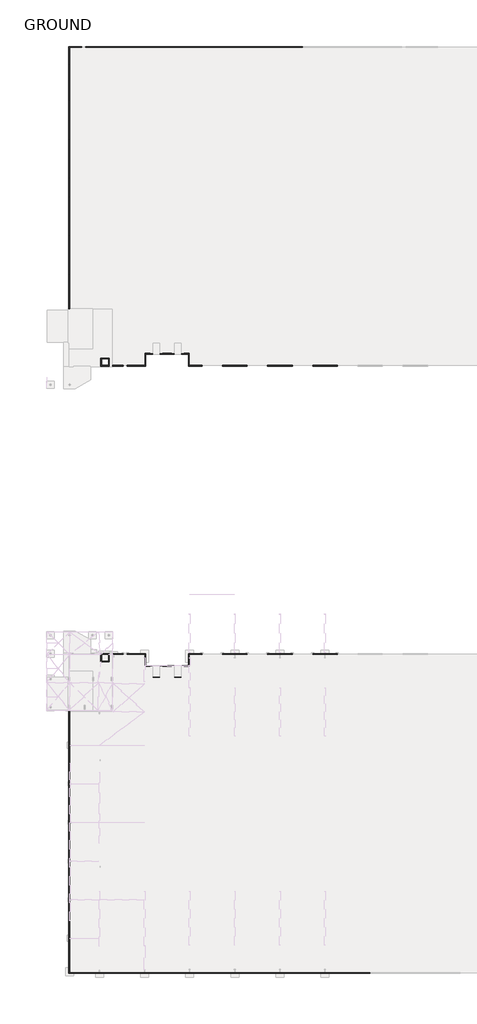
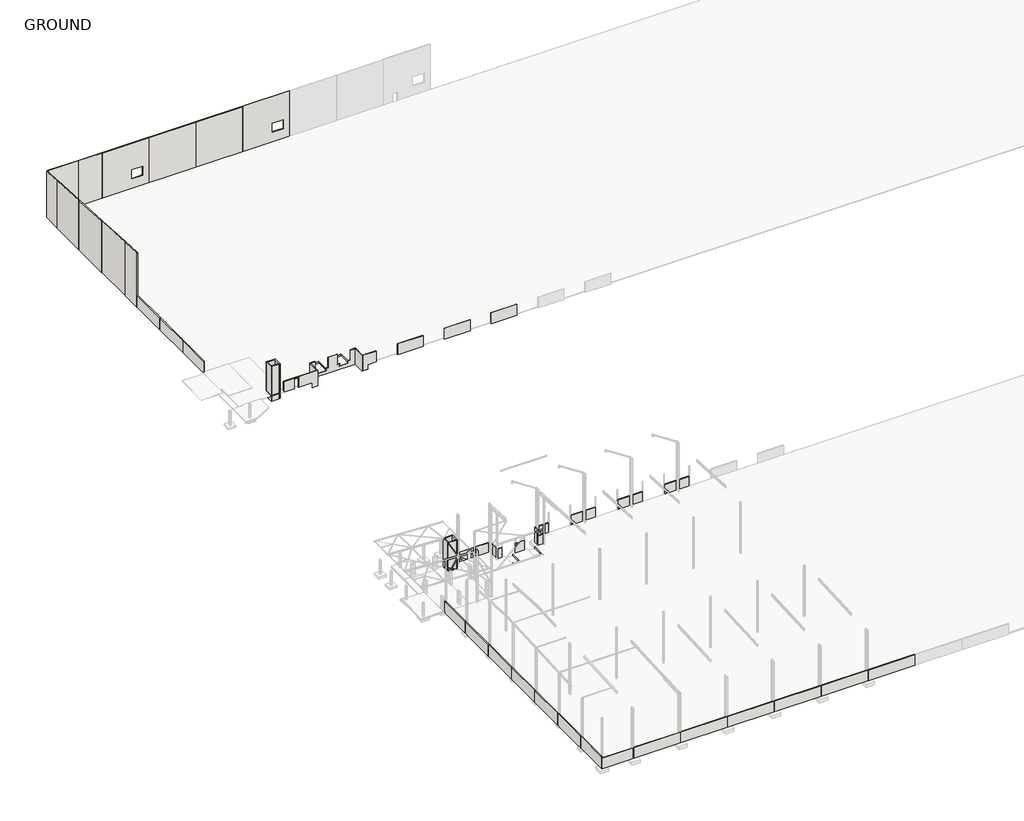
# One storey, part 1 of 56: 72 walls.
"""IFC4 building model written with IfcOpenShell, lengths in millimetres."""

from ifc_helpers import new_model, si_unit, frame, origin, place, context, project, spatial, polyline, outline, extrude, faceted_brep, element, save

model = new_model("IFC4")

# Units and contexts
model_context = context("Model", 3, world=origin())
ifc_project = project(units=[si_unit("LENGTHUNIT", "METRE", prefix="MILLI")], contexts=[model_context])

# Site, building, storey
site = spatial("IfcSite", under=ifc_project)
building = spatial("IfcBuilding", under=site)
storey = spatial("IfcBuildingStorey", under=building, Name="GROUND", Elevation=47100.0)

# Walls
placement = place(None, origin())
element("IfcWall", 1, at=placement, inside=storey, context=model_context, shape_type="Brep", body=[
    faceted_brep([(-298596.5907618, 166020.0, 46500.0), (-298596.5907618, 168990.0, 46500.0), (-298596.5907618, 168990.0, 46900.0), (-298596.5907618, 166170.0, 46900.0), (-298596.5907618, 166020.0, 46900.0), (-298746.5907618, 166020.0, 46500.0), (-298746.5907618, 166020.0, 46900.0), (-298746.5907618, 166170.0, 46900.0), (-298746.5907618, 168840.0, 46900.0), (-298746.5907618, 168990.0, 46900.0), (-298746.5907618, 168990.0, 46500.0), (-298746.5907618, 168840.0, 46500.0)], [[[0, 1, 2, 3, 4]], [[5, 6, 7, 8, 9, 10, 11]], [[0, 4, 6, 5]], [[2, 1, 10, 9]], [[1, 0, 5, 11, 10]], [[4, 3, 7, 6]], [[3, 2, 9, 8, 7]]]),
])
element("IfcWall", 2, at=placement, inside=storey, context=model_context, shape_type="Brep", body=[
    faceted_brep([(-298746.5907618, 168990.0, 46500.0), (-300806.5907618, 168990.0, 46500.0), (-300806.5907618, 168990.0, 46900.0), (-298746.5907618, 168990.0, 46900.0), (-298746.5907618, 168840.0, 46500.0), (-298746.5907618, 168840.0, 46900.0), (-300656.5907618, 168840.0, 46900.0), (-300806.5907618, 168840.0, 46900.0), (-300806.5907618, 168840.0, 46500.0), (-300656.5907618, 168840.0, 46500.0)], [[[0, 1, 2, 3]], [[4, 5, 6, 7, 8, 9]], [[0, 3, 5, 4]], [[2, 1, 8, 7]], [[3, 2, 7, 6, 5]], [[1, 0, 4, 9, 8]]]),
])
element("IfcWall", 3, at=placement, inside=storey, context=model_context, shape_type="SweptSolid", body=[
    extrude(outline(polyline([(168840.0, 46500.0), (166020.0, 46500.0), (166020.0, 46900.0), (166170.0, 46900.0), (168840.0, 46900.0), (168840.0, 46500.0)])), frame((-300806.5907618, 0.0, 0.0), z_axis=(1.0, 0.0, 0.0), x_axis=(0.0, 1.0, 0.0)), (0.0, 0.0, 1.0), 150.0),
])
element("IfcWall", 4, at=placement, inside=storey, context=model_context, shape_type="Brep", body=[
    faceted_brep([(-303946.5907618, 166020.0, 46500.0), (-303946.5907618, 168990.0, 46500.0), (-303946.5907618, 168990.0, 46900.0), (-303946.5907618, 166170.0, 46900.0), (-303946.5907618, 166020.0, 46900.0), (-304096.5907618, 166020.0, 46500.0), (-304096.5907618, 166020.0, 46900.0), (-304096.5907618, 166170.0, 46900.0), (-304096.5907618, 168840.0, 46900.0), (-304096.5907618, 168990.0, 46900.0), (-304096.5907618, 168990.0, 46500.0), (-304096.5907618, 168840.0, 46500.0)], [[[0, 1, 2, 3, 4]], [[5, 6, 7, 8, 9, 10, 11]], [[0, 4, 6, 5]], [[2, 1, 10, 9]], [[1, 0, 5, 11, 10]], [[4, 3, 7, 6]], [[3, 2, 9, 8, 7]]]),
])
element("IfcWall", 5, at=placement, inside=storey, context=model_context, shape_type="Brep", body=[
    faceted_brep([(-304096.5907618, 168990.0, 46500.0), (-306156.5907618, 168990.0, 46500.0), (-306156.5907618, 168990.0, 46900.0), (-304096.5907618, 168990.0, 46900.0), (-304096.5907618, 168840.0, 46500.0), (-304096.5907618, 168840.0, 46900.0), (-306006.5907618, 168840.0, 46900.0), (-306156.5907618, 168840.0, 46900.0), (-306156.5907618, 168840.0, 46500.0), (-306006.5907618, 168840.0, 46500.0)], [[[0, 1, 2, 3]], [[4, 5, 6, 7, 8, 9]], [[0, 3, 5, 4]], [[2, 1, 8, 7]], [[3, 2, 7, 6, 5]], [[1, 0, 4, 9, 8]]]),
])
element("IfcWall", 6, at=placement, inside=storey, context=model_context, shape_type="SweptSolid", body=[
    extrude(outline(polyline([(168840.0, 46500.0), (166020.0, 46500.0), (166020.0, 46900.0), (166170.0, 46900.0), (168840.0, 46900.0), (168840.0, 46500.0)])), frame((-306156.5907618, 0.0, 0.0), z_axis=(1.0, 0.0, 0.0), x_axis=(0.0, 1.0, 0.0)), (0.0, 0.0, 1.0), 150.0),
])
element("IfcWall", 7, at=placement, inside=storey, context=model_context, shape_type="Brep", body=[
    faceted_brep([(-298746.5907618, 88019.60101, 46500.0), (-298746.5907618, 85199.60101, 46500.0), (-298746.5907618, 85049.60101, 46500.0), (-298746.5907618, 85049.60101, 46900.0), (-298746.5907618, 85199.60101, 46900.0), (-298746.5907618, 87869.60101, 46900.0), (-298746.5907618, 88019.60101, 46900.0), (-298596.5907618, 88019.60101, 46500.0), (-298596.5907618, 88019.60101, 46900.0), (-298596.5907618, 87869.60101, 46900.0), (-298596.5907618, 85049.60101, 46900.0), (-298596.5907618, 85049.60101, 46500.0)], [[[0, 1, 2, 3, 4, 5, 6]], [[7, 8, 9, 10, 11]], [[0, 6, 8, 7]], [[3, 2, 11, 10]], [[2, 1, 0, 7, 11]], [[6, 5, 9, 8]], [[5, 4, 3, 10, 9]]]),
])
element("IfcWall", 8, at=placement, inside=storey, context=model_context, shape_type="Brep", body=[
    faceted_brep([(-298746.5907618, 85199.60101, 46500.0), (-300656.5907618, 85199.60101, 46500.0), (-300806.5907618, 85199.60101, 46500.0), (-300806.5907618, 85199.60101, 46900.0), (-300656.5907618, 85199.60101, 46900.0), (-298746.5907618, 85199.60101, 46900.0), (-298746.5907618, 85049.60101, 46500.0), (-298746.5907618, 85049.60101, 46900.0), (-300656.5907618, 85049.60101, 46900.0), (-300806.5907618, 85049.60101, 46900.0), (-300806.5907618, 85049.60101, 46500.0)], [[[0, 1, 2, 3, 4, 5]], [[6, 7, 8, 9, 10]], [[0, 5, 7, 6]], [[3, 2, 10, 9]], [[2, 1, 0, 6, 10]], [[5, 4, 8, 7]], [[4, 3, 9, 8]]]),
])
element("IfcWall", 9, at=placement, inside=storey, context=model_context, shape_type="SweptSolid", body=[
    extrude(outline(polyline([(85199.60101, 46500.0), (85199.60101, 46900.0), (87869.60101, 46900.0), (88019.60101, 46900.0), (88019.60101, 46500.0), (85199.60101, 46500.0)])), frame((-300806.5907618, 0.0, 0.0), z_axis=(1.0, 0.0, 0.0), x_axis=(0.0, 1.0, 0.0)), (0.0, 0.0, 1.0), 150.0),
])
element("IfcWall", 10, at=placement, inside=storey, context=model_context, shape_type="Brep", body=[
    faceted_brep([(-304096.5907618, 88019.60101, 46500.0), (-304096.5907618, 85199.60101, 46500.0), (-304096.5907618, 85049.60101, 46500.0), (-304096.5907618, 85049.60101, 46900.0), (-304096.5907618, 85199.60101, 46900.0), (-304096.5907618, 87869.60101, 46900.0), (-304096.5907618, 88019.60101, 46900.0), (-303946.5907618, 88019.60101, 46500.0), (-303946.5907618, 88019.60101, 46900.0), (-303946.5907618, 87869.60101, 46900.0), (-303946.5907618, 85049.60101, 46900.0), (-303946.5907618, 85049.60101, 46500.0)], [[[0, 1, 2, 3, 4, 5, 6]], [[7, 8, 9, 10, 11]], [[0, 6, 8, 7]], [[3, 2, 11, 10]], [[2, 1, 0, 7, 11]], [[6, 5, 9, 8]], [[5, 4, 3, 10, 9]]]),
])
element("IfcWall", 11, at=placement, inside=storey, context=model_context, shape_type="Brep", body=[
    faceted_brep([(-304096.5907618, 85199.60101, 46500.0), (-306006.5907618, 85199.60101, 46500.0), (-306156.5907618, 85199.60101, 46500.0), (-306156.5907618, 85199.60101, 46900.0), (-306006.5907618, 85199.60101, 46900.0), (-304096.5907618, 85199.60101, 46900.0), (-304096.5907618, 85049.60101, 46500.0), (-304096.5907618, 85049.60101, 46900.0), (-306006.5907618, 85049.60101, 46900.0), (-306156.5907618, 85049.60101, 46900.0), (-306156.5907618, 85049.60101, 46500.0)], [[[0, 1, 2, 3, 4, 5]], [[6, 7, 8, 9, 10]], [[0, 5, 7, 6]], [[3, 2, 10, 9]], [[2, 1, 0, 6, 10]], [[5, 4, 8, 7]], [[4, 3, 9, 8]]]),
])
element("IfcWall", 12, at=placement, inside=storey, context=model_context, shape_type="SweptSolid", body=[
    extrude(outline(polyline([(85199.60101, 46500.0), (85199.60101, 46900.0), (87869.60101, 46900.0), (88019.60101, 46900.0), (88019.60101, 46500.0), (85199.60101, 46500.0)])), frame((-306156.5907618, 0.0, 0.0), z_axis=(1.0, 0.0, 0.0), x_axis=(0.0, 1.0, 0.0)), (0.0, 0.0, 1.0), 150.0),
])
element("IfcWall", 13, at=placement, inside=storey, context=model_context, shape_type="Brep", body=[
    faceted_brep([(-316856.5907618, 162970.0, 45600.0), (-316856.5907618, 165020.0, 45600.0), (-316856.5907618, 165020.0, 47000.0), (-316856.5907618, 162970.0, 47000.0), (-317056.5907618, 162970.0, 45600.0), (-317056.5907618, 162970.0, 47000.0), (-317056.5907618, 163170.0, 47000.0), (-317056.5907618, 164820.0, 47000.0), (-317056.5907618, 165020.0, 47000.0), (-317056.5907618, 165020.0, 45600.0), (-317056.5907618, 164820.0, 45600.0), (-317056.5907618, 163170.0, 45600.0)], [[[0, 1, 2, 3]], [[4, 5, 6, 7, 8, 9, 10, 11]], [[3, 2, 8, 7, 6, 5]], [[2, 1, 9, 8]], [[0, 3, 5, 4]], [[1, 0, 4, 11, 10, 9]]]),
])
element("IfcWall", 14, at=placement, inside=storey, context=model_context, shape_type="Brep", body=[
    faceted_brep([(-317056.5907618, 165020.0, 45600.0), (-319006.5907618, 165020.0, 45600.0), (-319006.5907618, 165020.0, 47000.0), (-317056.5907618, 165020.0, 47000.0), (-317056.5907618, 164820.0, 45600.0), (-317056.5907618, 164820.0, 47000.0), (-318806.5907618, 164820.0, 47000.0), (-319006.5907618, 164820.0, 47000.0), (-319006.5907618, 164820.0, 45600.0), (-318806.5907618, 164820.0, 45600.0)], [[[0, 1, 2, 3]], [[4, 5, 6, 7, 8, 9]], [[3, 2, 7, 6, 5]], [[0, 3, 5, 4]], [[2, 1, 8, 7]], [[1, 0, 4, 9, 8]]]),
])
element("IfcWall", 15, at=placement, inside=storey, context=model_context, shape_type="Brep", body=[
    faceted_brep([(-319006.5907618, 164820.0, 45600.0), (-319006.5907618, 162970.0, 45600.0), (-319006.5907618, 162970.0, 47000.0), (-319006.5907618, 164820.0, 47000.0), (-318806.5907618, 164820.0, 45600.0), (-318806.5907618, 164820.0, 47000.0), (-318806.5907618, 163170.0, 47000.0), (-318806.5907618, 162970.0, 47000.0), (-318806.5907618, 162970.0, 45600.0), (-318806.5907618, 163170.0, 45600.0)], [[[0, 1, 2, 3]], [[4, 5, 6, 7, 8, 9]], [[3, 2, 7, 6, 5]], [[0, 3, 5, 4]], [[2, 1, 8, 7]], [[1, 0, 4, 9, 8]]]),
])
element("IfcWall", 16, at=placement, inside=storey, context=model_context, shape_type="SweptSolid", body=[
    extrude(outline(polyline([(-317056.5907618, 162970.0), (-318806.5907618, 162970.0), (-318806.5907618, 163170.0), (-317056.5907618, 163170.0), (-317056.5907618, 162970.0)])), frame((0.0, 0.0, 45600.0), z_axis=(0.0, 0.0, 1.0), x_axis=(1.0, 0.0, 0.0)), (0.0, 0.0, 1.0), 1400.0),
])
element("IfcWall", 17, at=placement, inside=storey, context=model_context, shape_type="Brep", body=[
    faceted_brep([(-316856.5907618, 162970.0, 47100.0), (-316856.5907618, 165020.0, 47100.0), (-316856.5907618, 165020.0, 54410.0), (-316856.5907618, 162970.0, 54410.0), (-317056.5907618, 162970.0, 47100.0), (-317056.5907618, 162970.0, 54410.0), (-317056.5907618, 163170.0, 54410.0), (-317056.5907618, 164820.0, 54410.0), (-317056.5907618, 165020.0, 54410.0), (-317056.5907618, 165020.0, 47100.0), (-317056.5907618, 164820.0, 47100.0), (-317056.5907618, 163170.0, 47100.0)], [[[0, 1, 2, 3]], [[4, 5, 6, 7, 8, 9, 10, 11]], [[1, 0, 4, 11, 10, 9]], [[2, 1, 9, 8]], [[0, 3, 5, 4]], [[3, 2, 8, 7, 6, 5]]]),
])
element("IfcWall", 18, at=placement, inside=storey, context=model_context, shape_type="Brep", body=[
    faceted_brep([(-317056.5907618, 165020.0, 47100.0), (-319006.5907618, 165020.0, 47100.0), (-319006.5907618, 165020.0, 54410.0), (-317056.5907618, 165020.0, 54410.0), (-317056.5907618, 164820.0, 47100.0), (-317056.5907618, 164820.0, 54410.0), (-318806.5907618, 164820.0, 54410.0), (-319006.5907618, 164820.0, 54410.0), (-319006.5907618, 164820.0, 47100.0), (-318806.5907618, 164820.0, 47100.0)], [[[0, 1, 2, 3]], [[4, 5, 6, 7, 8, 9]], [[1, 0, 4, 9, 8]], [[2, 1, 8, 7]], [[0, 3, 5, 4]], [[3, 2, 7, 6, 5]]]),
])
element("IfcWall", 19, at=placement, inside=storey, context=model_context, shape_type="Brep", body=[
    faceted_brep([(-319006.5907618, 164820.0, 47100.0), (-319006.5907618, 162970.0, 47100.0), (-319006.5907618, 162970.0, 50400.0), (-319006.5907618, 162970.0, 50600.0), (-319006.5907618, 162970.0, 54410.0), (-319006.5907618, 164820.0, 54410.0), (-318806.5907618, 164820.0, 47100.0), (-318806.5907618, 164820.0, 54410.0), (-318806.5907618, 163170.0, 54410.0), (-318806.5907618, 162970.0, 54410.0), (-318806.5907618, 162970.0, 47100.0), (-318806.5907618, 163170.0, 47100.0)], [[[0, 1, 2, 3, 4, 5]], [[6, 7, 8, 9, 10, 11]], [[1, 0, 6, 11, 10]], [[4, 3, 2, 1, 10, 9]], [[0, 5, 7, 6]], [[5, 4, 9, 8, 7]]]),
])
element("IfcWall", 20, at=placement, inside=storey, context=model_context, shape_type="SweptSolid", body=[
    extrude(outline(polyline([(-317056.5907618, 162970.0), (-318806.5907618, 162970.0), (-318806.5907618, 163170.0), (-317056.5907618, 163170.0), (-317056.5907618, 162970.0)])), frame((0.0, 0.0, 47100.0), z_axis=(0.0, 0.0, 1.0), x_axis=(1.0, 0.0, 0.0)), (0.0, 0.0, 1.0), 7310.0),
])
element("IfcWall", 21, at=placement, inside=storey, context=model_context, shape_type="Brep", body=[
    faceted_brep([(-317056.5907618, 91069.60101, 45600.0), (-317056.5907618, 90869.60101, 45600.0), (-317056.5907618, 89219.60101, 45600.0), (-317056.5907618, 89019.60101, 45600.0), (-317056.5907618, 89019.60101, 47100.0), (-317056.5907618, 89219.60101, 47100.0), (-317056.5907618, 90869.60101, 47100.0), (-317056.5907618, 91069.60101, 47100.0), (-316856.5907618, 91069.60101, 45600.0), (-316856.5907618, 91069.60101, 47100.0), (-316856.5907618, 89019.60101, 47100.0), (-316856.5907618, 89019.60101, 45600.0)], [[[0, 1, 2, 3, 4, 5, 6, 7]], [[8, 9, 10, 11]], [[7, 6, 5, 4, 10, 9]], [[4, 3, 11, 10]], [[0, 7, 9, 8]], [[3, 2, 1, 0, 8, 11]]]),
])
element("IfcWall", 22, at=placement, inside=storey, context=model_context, shape_type="Brep", body=[
    faceted_brep([(-317056.5907618, 89219.60101, 45600.0), (-318806.5907618, 89219.60101, 45600.0), (-319006.5907618, 89219.60101, 45600.0), (-319006.5907618, 89219.60101, 47100.0), (-318806.5907618, 89219.60101, 47100.0), (-317056.5907618, 89219.60101, 47100.0), (-317056.5907618, 89019.60101, 45600.0), (-317056.5907618, 89019.60101, 47100.0), (-319006.5907618, 89019.60101, 47100.0), (-319006.5907618, 89019.60101, 45600.0)], [[[0, 1, 2, 3, 4, 5]], [[6, 7, 8, 9]], [[5, 4, 3, 8, 7]], [[0, 5, 7, 6]], [[3, 2, 9, 8]], [[2, 1, 0, 6, 9]]]),
])
element("IfcWall", 23, at=placement, inside=storey, context=model_context, shape_type="Brep", body=[
    faceted_brep([(-318806.5907618, 89219.60101, 45600.0), (-318806.5907618, 90869.60101, 45600.0), (-318806.5907618, 91069.60101, 45600.0), (-318806.5907618, 91069.60101, 47100.0), (-318806.5907618, 90869.60101, 47100.0), (-318806.5907618, 89219.60101, 47100.0), (-319006.5907618, 89219.60101, 45600.0), (-319006.5907618, 89219.60101, 47100.0), (-319006.5907618, 91069.60101, 47100.0), (-319006.5907618, 91069.60101, 45600.0)], [[[0, 1, 2, 3, 4, 5]], [[6, 7, 8, 9]], [[5, 4, 3, 8, 7]], [[0, 5, 7, 6]], [[3, 2, 9, 8]], [[2, 1, 0, 6, 9]]]),
])
element("IfcWall", 24, at=placement, inside=storey, context=model_context, shape_type="SweptSolid", body=[
    extrude(outline(polyline([(-317056.5907618, 90869.60101), (-318806.5907618, 90869.60101), (-318806.5907618, 91069.60101), (-317056.5907618, 91069.60101), (-317056.5907618, 90869.60101)])), frame((0.0, 0.0, 45600.0), z_axis=(0.0, 0.0, 1.0), x_axis=(1.0, 0.0, 0.0)), (0.0, 0.0, 1.0), 1500.0),
])
element("IfcWall", 25, at=placement, inside=storey, context=model_context, shape_type="Brep", body=[
    faceted_brep([(-317056.5907618, 91069.60101, 47100.0), (-317056.5907618, 90869.60101, 47100.0), (-317056.5907618, 89219.60101, 47100.0), (-317056.5907618, 89019.60101, 47100.0), (-317056.5907618, 89019.60101, 54410.0), (-317056.5907618, 89219.60101, 54410.0), (-317056.5907618, 90869.60101, 54410.0), (-317056.5907618, 91069.60101, 54410.0), (-316856.5907618, 91069.60101, 47100.0), (-316856.5907618, 91069.60101, 54410.0), (-316856.5907618, 89019.60101, 54410.0), (-316856.5907618, 89019.60101, 47100.0)], [[[0, 1, 2, 3, 4, 5, 6, 7]], [[8, 9, 10, 11]], [[3, 2, 1, 0, 8, 11]], [[4, 3, 11, 10]], [[0, 7, 9, 8]], [[7, 6, 5, 4, 10, 9]]]),
])
element("IfcWall", 26, at=placement, inside=storey, context=model_context, shape_type="Brep", body=[
    faceted_brep([(-317056.5907618, 89219.60101, 47100.0), (-318806.5907618, 89219.60101, 47100.0), (-319006.5907618, 89219.60101, 47100.0), (-319006.5907618, 89219.60101, 54410.0), (-318806.5907618, 89219.60101, 54410.0), (-317056.5907618, 89219.60101, 54410.0), (-317056.5907618, 89019.60101, 47100.0), (-317056.5907618, 89019.60101, 54410.0), (-319006.5907618, 89019.60101, 54410.0), (-319006.5907618, 89019.60101, 47100.0)], [[[0, 1, 2, 3, 4, 5]], [[6, 7, 8, 9]], [[2, 1, 0, 6, 9]], [[3, 2, 9, 8]], [[0, 5, 7, 6]], [[5, 4, 3, 8, 7]]]),
])
element("IfcWall", 27, at=placement, inside=storey, context=model_context, shape_type="Brep", body=[
    faceted_brep([(-318806.5907618, 89219.60101, 47100.0), (-318806.5907618, 90869.60101, 47100.0), (-318806.5907618, 91069.60101, 47100.0), (-318806.5907618, 91069.60101, 54410.0), (-318806.5907618, 90869.60101, 54410.0), (-318806.5907618, 89219.60101, 54410.0), (-319006.5907618, 89219.60101, 47100.0), (-319006.5907618, 89219.60101, 54410.0), (-319006.5907618, 91069.60101, 54410.0), (-319006.5907618, 91069.60101, 50600.0), (-319006.5907618, 91069.60101, 50400.0), (-319006.5907618, 91069.60101, 47100.0)], [[[0, 1, 2, 3, 4, 5]], [[6, 7, 8, 9, 10, 11]], [[2, 1, 0, 6, 11]], [[3, 2, 11, 10, 9, 8]], [[0, 5, 7, 6]], [[5, 4, 3, 8, 7]]]),
])
element("IfcWall", 28, at=placement, inside=storey, context=model_context, shape_type="SweptSolid", body=[
    extrude(outline(polyline([(-317056.5907618, 90869.60101), (-318806.5907618, 90869.60101), (-318806.5907618, 91069.60101), (-317056.5907618, 91069.60101), (-317056.5907618, 90869.60101)])), frame((0.0, 0.0, 47100.0), z_axis=(0.0, 0.0, 1.0), x_axis=(1.0, 0.0, 0.0)), (0.0, 0.0, 1.0), 7310.0),
])
element("IfcWall", 29, ObjectType="PW1 - Precast 150", at=placement, inside=storey, context=model_context, shape_type="Brep", body=[
    faceted_brep([(-326816.5907618, 11119.60101, 46800.0), (-326816.5907618, 11269.60101, 46800.0), (-326816.5907618, 19830.0, 46800.0), (-326816.5907618, 19830.0, 49800.0), (-326816.5907618, 11119.60101, 49800.0), (-326816.5907618, 11119.60101, 49500.0), (-326966.5907618, 11119.60101, 46800.0), (-326966.5907618, 11119.60101, 49800.0), (-326966.5907618, 19830.0, 49800.0), (-326966.5907618, 19830.0, 46800.0)], [[[0, 1, 2, 3, 4, 5]], [[6, 7, 8, 9]], [[2, 1, 0, 6, 9]], [[3, 2, 9, 8]], [[4, 3, 8, 7]], [[0, 5, 4, 7, 6]]]),
])
element("IfcWall", 30, ObjectType="PW1 - Precast 150", at=placement, inside=storey, context=model_context, shape_type="SweptSolid", body=[
    extrude(outline(polyline([(-326966.5907618, 185940.0), (-326966.5907618, 195590.0), (-326816.5907618, 195590.0), (-326816.5907618, 185940.0), (-326966.5907618, 185940.0)])), frame((0.0, 0.0, 46800.0), z_axis=(0.0, 0.0, 1.0), x_axis=(1.0, 0.0, 0.0)), (0.0, 0.0, 1.0), 3000.0),
])
element("IfcWall", 31, ObjectType="PW1 - Precast 150", at=placement, inside=storey, context=model_context, shape_type="Brep", body=[
    faceted_brep([(-326966.5907618, 185920.0, 46800.0), (-326966.5907618, 177360.0, 46800.0), (-326966.5907618, 177360.0, 49800.0), (-326966.5907618, 185920.0, 49800.0), (-326816.5907618, 185920.0, 46800.0), (-326816.5907618, 185920.0, 49800.0), (-326816.5907618, 177360.0, 49800.0), (-326816.5907618, 177360.0, 46800.0), (-326826.5907618, 177360.0, 46800.0)], [[[0, 1, 2, 3]], [[4, 5, 6, 7]], [[1, 0, 4, 7, 8]], [[2, 1, 8, 7, 6]], [[3, 2, 6, 5]], [[0, 3, 5, 4]]]),
])
element("IfcWall", 32, ObjectType="PW1 - Precast 150", at=placement, inside=storey, context=model_context, shape_type="SweptSolid", body=[
    extrude(outline(polyline([(-326816.5907618, 29480.0), (-326816.5907618, 19850.0), (-326966.5907618, 19850.0), (-326966.5907618, 29480.0), (-326816.5907618, 29480.0)])), frame((0.0, 0.0, 46800.0), z_axis=(0.0, 0.0, 1.0), x_axis=(1.0, 0.0, 0.0)), (0.0, 0.0, 1.0), 3000.0),
])
element("IfcWall", 33, ObjectType="PW1 - Precast 150", at=placement, inside=storey, context=model_context, shape_type="SweptSolid", body=[
    extrude(outline(polyline([(-326816.5907618, 39130.0), (-326816.5907618, 29500.0), (-326966.5907618, 29500.0), (-326966.5907618, 39130.0), (-326816.5907618, 39130.0)])), frame((0.0, 0.0, 46800.0), z_axis=(0.0, 0.0, 1.0), x_axis=(1.0, 0.0, 0.0)), (0.0, 0.0, 1.0), 3000.0),
])
element("IfcWall", 34, ObjectType="PW1 - Precast 150", at=placement, inside=storey, context=model_context, shape_type="SweptSolid", body=[
    extrude(outline(polyline([(-326816.5907618, 48780.0), (-326816.5907618, 39150.0), (-326966.5907618, 39150.0), (-326966.5907618, 48780.0), (-326816.5907618, 48780.0)])), frame((0.0, 0.0, 46800.0), z_axis=(0.0, 0.0, 1.0), x_axis=(1.0, 0.0, 0.0)), (0.0, 0.0, 1.0), 3000.0),
])
element("IfcWall", 35, ObjectType="PW1 - Precast 150", at=placement, inside=storey, context=model_context, shape_type="SweptSolid", body=[
    extrude(outline(polyline([(-326816.5907618, 58430.0), (-326816.5907618, 48800.0), (-326966.5907618, 48800.0), (-326966.5907618, 58430.0), (-326816.5907618, 58430.0)])), frame((0.0, 0.0, 46800.0), z_axis=(0.0, 0.0, 1.0), x_axis=(1.0, 0.0, 0.0)), (0.0, 0.0, 1.0), 3000.0),
])
element("IfcWall", 36, ObjectType="PW1 - Precast 150", at=placement, inside=storey, context=model_context, shape_type="Brep", body=[
    faceted_brep([(-326816.5907618, 68120.0, 46800.0), (-326816.5907618, 76679.60101, 46800.0), (-326816.5907618, 76679.60101, 49800.0), (-326816.5907618, 68120.0, 49800.0), (-326966.5907618, 68120.0, 46800.0), (-326966.5907618, 68120.0, 49800.0), (-326966.5907618, 76679.60101, 49800.0), (-326966.5907618, 76679.60101, 46800.0), (-326826.5907618, 76679.60101, 46800.0)], [[[0, 1, 2, 3]], [[4, 5, 6, 7]], [[1, 0, 4, 7, 8]], [[2, 1, 8, 7, 6]], [[3, 2, 6, 5]], [[0, 3, 5, 4]]]),
])
element("IfcWall", 37, ObjectType="PW1 - Precast 150", at=placement, inside=storey, context=model_context, shape_type="SweptSolid", body=[
    extrude(outline(polyline([(-326816.5907618, 68100.0), (-326816.5907618, 58450.0), (-326966.5907618, 58450.0), (-326966.5907618, 68100.0), (-326816.5907618, 68100.0)])), frame((0.0, 0.0, 46800.0), z_axis=(0.0, 0.0, 1.0), x_axis=(1.0, 0.0, 0.0)), (0.0, 0.0, 1.0), 3000.0),
])
element("IfcWall", 38, ObjectType="PW1 - Precast 150", at=placement, inside=storey, context=model_context, shape_type="SweptSolid", body=[
    extrude(outline(polyline([(-326816.5907618, 11269.60101), (-319326.2885398, 11269.60101), (-319326.2885398, 11119.60101), (-326816.5907618, 11119.60101), (-326816.5907618, 11269.60101)])), frame((0.0, 0.0, 46800.0), z_axis=(0.0, 0.0, 1.0), x_axis=(1.0, 0.0, 0.0)), (0.0, 0.0, 1.0), 2700.0),
])
element("IfcWall", 39, ObjectType="PW1 - Precast 150", at=placement, inside=storey, context=model_context, shape_type="SweptSolid", body=[
    extrude(outline(polyline([(-319306.2885398, 11269.60101), (-308046.2885398, 11269.60101), (-308046.2885398, 11119.60101), (-319306.2885398, 11119.60101), (-319306.2885398, 11269.60101)])), frame((0.0, 0.0, 46800.0), z_axis=(0.0, 0.0, 1.0), x_axis=(1.0, 0.0, 0.0)), (0.0, 0.0, 1.0), 2700.0),
])
element("IfcWall", 40, ObjectType="PW1 - Precast 150", at=placement, inside=storey, context=model_context, shape_type="SweptSolid", body=[
    extrude(outline(polyline([(-296706.2885398, 11269.60101), (-285446.2885398, 11269.60101), (-285446.2885398, 11119.60101), (-296706.2885398, 11119.60101), (-296706.2885398, 11269.60101)])), frame((0.0, 0.0, 46800.0), z_axis=(0.0, 0.0, 1.0), x_axis=(1.0, 0.0, 0.0)), (0.0, 0.0, 1.0), 2700.0),
])
element("IfcWall", 41, ObjectType="PW1 - Precast 150", at=placement, inside=storey, context=model_context, shape_type="SweptSolid", body=[
    extrude(outline(polyline([(-308026.2885398, 11269.60101), (-296726.2885398, 11269.60101), (-296726.2885398, 11119.60101), (-308026.2885398, 11119.60101), (-308026.2885398, 11269.60101)])), frame((0.0, 0.0, 46800.0), z_axis=(0.0, 0.0, 1.0), x_axis=(1.0, 0.0, 0.0)), (0.0, 0.0, 1.0), 2700.0),
])
element("IfcWall", 42, ObjectType="PW1 - Precast 150", at=placement, inside=storey, context=model_context, shape_type="SweptSolid", body=[
    extrude(outline(polyline([(-285426.2885398, 11269.60101), (-274146.2885398, 11269.60101), (-274146.2885398, 11119.60101), (-285426.2885398, 11119.60101), (-285426.2885398, 11269.60101)])), frame((0.0, 0.0, 46800.0), z_axis=(0.0, 0.0, 1.0), x_axis=(1.0, 0.0, 0.0)), (0.0, 0.0, 1.0), 2700.0),
])
element("IfcWall", 43, ObjectType="PW1 - Precast 150", at=placement, inside=storey, context=model_context, shape_type="SweptSolid", body=[
    extrude(outline(polyline([(-274126.2885398, 11269.60101), (-262846.2885398, 11269.60101), (-262846.2885398, 11119.60101), (-274126.2885398, 11119.60101), (-274126.2885398, 11269.60101)])), frame((0.0, 0.0, 46800.0), z_axis=(0.0, 0.0, 1.0), x_axis=(1.0, 0.0, 0.0)), (0.0, 0.0, 1.0), 2700.0),
])
element("IfcWall", 44, ObjectType="PW1 - Precast 150", at=placement, inside=storey, context=model_context, shape_type="SweptSolid", body=[
    extrude(outline(polyline([(-262826.2885398, 11269.60101), (-251546.2885398, 11269.60101), (-251546.2885398, 11119.60101), (-262826.2885398, 11119.60101), (-262826.2885398, 11269.60101)])), frame((0.0, 0.0, 46800.0), z_axis=(0.0, 0.0, 1.0), x_axis=(1.0, 0.0, 0.0)), (0.0, 0.0, 1.0), 2700.0),
])
element("IfcWall", 45, ObjectType="PW1 - Precast 150", at=placement, inside=storey, context=model_context, shape_type="SweptSolid", body=[
    extrude(outline(polyline([(-326966.5907618, 195590.4), (-326966.5907618, 205240.4), (-326816.5907618, 205240.4), (-326816.5907618, 195590.4), (-326966.5907618, 195590.4)])), frame((0.0, 0.0, 46800.0), z_axis=(0.0, 0.0, 1.0), x_axis=(1.0, 0.0, 0.0)), (0.0, 0.0, 1.0), 3000.0),
])
element("IfcWall", 46, ObjectType="PW11 - Precast 180", at=placement, inside=storey, context=model_context, shape_type="SweptSolid", body=[
    extrude(outline(polyline([(242860.0, 46800.0), (238402.0, 46800.0), (238402.0, 58813.7213492), (242433.0, 58587.494903), (242860.0, 58587.494903), (242860.0, 46800.0)])), frame((-326996.5907618, 0.0, 0.0), z_axis=(1.0, 0.0, 0.0), x_axis=(0.0, 1.0, 0.0)), (0.0, 0.0, 1.0), 180.0),
])
element("IfcWall", 47, ObjectType="PW11 - Precast 180", at=placement, inside=storey, context=model_context, shape_type="SweptSolid", body=[
    extrude(outline(polyline([(-319396.5907618, 242950.0), (-313686.2885398, 242950.0), (-313686.2885398, 242770.0), (-319396.5907618, 242770.0), (-319396.5907618, 242950.0)])), frame((0.0, 0.0, 46800.0), z_axis=(0.0, 0.0, 1.0), x_axis=(1.0, 0.0, 0.0)), (0.0, 0.0, 1.0), 11787.494903),
])
element("IfcWall", 48, ObjectType="PW11 - Precast 180", at=placement, inside=storey, context=model_context, shape_type="SweptSolid", body=[
    extrude(outline(polyline([(-302366.2885398, 242950.0), (-291086.2885398, 242950.0), (-291086.2885398, 242770.0), (-302366.2885398, 242770.0), (-302366.2885398, 242950.0)])), frame((0.0, 0.0, 46800.0), z_axis=(0.0, 0.0, 1.0), x_axis=(1.0, 0.0, 0.0)), (0.0, 0.0, 1.0), 11787.494903),
])
element("IfcWall", 49, ObjectType="PW11 - Precast 180", at=placement, inside=storey, context=model_context, shape_type="SweptSolid", body=[
    extrude(outline(polyline([(-291066.2885398, 242950.0), (-279786.2885398, 242950.0), (-279786.2885398, 242770.0), (-291066.2885398, 242770.0), (-291066.2885398, 242950.0)])), frame((0.0, 0.0, 46800.0), z_axis=(0.0, 0.0, 1.0), x_axis=(1.0, 0.0, 0.0)), (0.0, 0.0, 1.0), 11787.494903),
])
element("IfcWall", 50, ObjectType="PW11 - Precast 180", at=placement, inside=storey, context=model_context, shape_type="SweptSolid", body=[
    extrude(outline(polyline([(58587.494903, -268486.2885398), (58587.494903, -279766.2885398), (46800.0, -279766.2885398), (46800.0, -268486.2885398), (58587.494903, -268486.2885398)]), holes=[polyline([(51800.0, -272651.2885398), (51800.0, -269951.2885398), (49499.9098461, -269951.2885398), (49499.9098461, -272651.2885398), (51800.0, -272651.2885398)])]), frame((0.0, 242770.0, 0.0), z_axis=(0.0, 1.0, 0.0), x_axis=(0.0, 0.0, 1.0)), (0.0, 0.0, 1.0), 180.0),
])
element("IfcWall", 51, ObjectType="PW11 - Precast 180", at=placement, inside=storey, context=model_context, shape_type="SweptSolid", body=[
    extrude(outline(polyline([(205154.5, 60654.8769802), (210055.0, 60377.5881841), (210055.0, 46800.0), (205154.5, 46800.0), (205154.5, 60654.8769802)])), frame((-326996.5907618, 0.0, 0.0), z_axis=(1.0, 0.0, 0.0), x_axis=(0.0, 1.0, 0.0)), (0.0, 0.0, 1.0), 180.0),
])
element("IfcWall", 52, ObjectType="PW11 - Precast 180", at=placement, inside=storey, context=model_context, shape_type="SweptSolid", body=[
    extrude(outline(polyline([(219695.0, 59828.386223), (219695.0, 46800.0), (210075.0, 46800.0), (210075.0, 60377.5881841), (219695.0, 59828.386223)])), frame((-326996.5907618, 0.0, 0.0), z_axis=(1.0, 0.0, 0.0), x_axis=(0.0, 1.0, 0.0)), (0.0, 0.0, 1.0), 180.0),
])
element("IfcWall", 53, ObjectType="PW11 - Precast 180", at=placement, inside=storey, context=model_context, shape_type="SweptSolid", body=[
    extrude(outline(polyline([(229355.0, 59301.1385302), (229355.0, 46800.0), (219715.0, 46800.0), (219715.0, 59828.386223), (229355.0, 59301.1385302)])), frame((-326996.5907618, 0.0, 0.0), z_axis=(1.0, 0.0, 0.0), x_axis=(0.0, 1.0, 0.0)), (0.0, 0.0, 1.0), 180.0),
])
element("IfcWall", 54, ObjectType="PW11 - Precast 180", at=placement, inside=storey, context=model_context, shape_type="SweptSolid", body=[
    extrude(outline(polyline([(238382.0, 58813.7213492), (238382.0, 46800.0), (229375.0, 46800.0), (229375.0, 59301.1385302), (238382.0, 58813.7213492)])), frame((-326996.5907618, 0.0, 0.0), z_axis=(1.0, 0.0, 0.0), x_axis=(0.0, 1.0, 0.0)), (0.0, 0.0, 1.0), 180.0),
])
element("IfcWall", 55, ObjectType="PW12 - Precast 180", at=placement, inside=storey, context=model_context, shape_type="SweptSolid", body=[
    extrude(outline(polyline([(46800.0, -319396.5907618), (58587.494903, -319396.5907618), (58587.494903, -326645.2885398), (46800.0, -326645.2885398), (46800.0, -323826.5907618), (49210.0, -323826.5907618), (49210.0, -322806.5907618), (46800.0, -322806.5907618), (46800.0, -319396.5907618)])), frame((0.0, 242770.0, 0.0), z_axis=(0.0, 1.0, 0.0), x_axis=(0.0, 0.0, 1.0)), (0.0, 0.0, 1.0), 180.0),
])
element("IfcWall", 56, ObjectType="PW13 - Precast 180", at=placement, inside=storey, context=model_context, shape_type="SweptSolid", body=[
    extrude(outline(polyline([(58587.494903, -302386.2885398), (58587.494903, -313666.2885398), (46800.0, -313666.2885398), (46800.0, -302386.2885398), (58587.494903, -302386.2885398)]), holes=[polyline([(51800.0, -306546.2885398), (51800.0, -303846.2885398), (49499.9098461, -303846.2885398), (49499.9098461, -306546.2885398), (51800.0, -306546.2885398)])]), frame((0.0, 242770.0, 0.0), z_axis=(0.0, 1.0, 0.0), x_axis=(0.0, 0.0, 1.0)), (0.0, 0.0, 1.0), 180.0),
])
element("IfcWall", 57, ObjectType="PW3 - Precast 150", at=placement, inside=storey, context=model_context, shape_type="SweptSolid", body=[
    extrude(outline(polyline([(-282345.5907618, 163020.0), (-288507.5907618, 163020.0), (-288507.5907618, 163170.0), (-282345.5907618, 163170.0), (-282345.5907618, 163020.0)])), frame((0.0, 0.0, 46800.0), z_axis=(0.0, 0.0, 1.0), x_axis=(1.0, 0.0, 0.0)), (0.0, 0.0, 1.0), 2700.0),
])
element("IfcWall", 58, ObjectType="PW3 - Precast 150", at=placement, inside=storey, context=model_context, shape_type="SweptSolid", body=[
    extrude(outline(polyline([(-271045.5907618, 163020.0), (-277207.5907618, 163020.0), (-277207.5907618, 163170.0), (-271045.5907618, 163170.0), (-271045.5907618, 163020.0)])), frame((0.0, 0.0, 46800.0), z_axis=(0.0, 0.0, 1.0), x_axis=(1.0, 0.0, 0.0)), (0.0, 0.0, 1.0), 2700.0),
])
element("IfcWall", 59, ObjectType="PW3 - Precast 150", at=placement, inside=storey, context=model_context, shape_type="SweptSolid", body=[
    extrude(outline(polyline([(-259745.5908558, 163020.0), (-265907.5907612, 163020.0), (-265907.5907612, 163170.0), (-259745.5908558, 163170.0), (-259745.5908558, 163020.0)])), frame((0.0, 0.0, 46800.0), z_axis=(0.0, 0.0, 1.0), x_axis=(1.0, 0.0, 0.0)), (0.0, 0.0, 1.0), 2700.0),
])
element("IfcWall", 60, ObjectType="PW3 - Precast 150", at=placement, inside=storey, context=model_context, shape_type="SweptSolid", body=[
    extrude(outline(polyline([(-282345.5907618, 90869.60101), (-288507.5907618, 90869.60101), (-288507.5907618, 91019.60101), (-282345.5907618, 91019.60101), (-282345.5907618, 90869.60101)])), frame((0.0, 0.0, 46800.0), z_axis=(0.0, 0.0, 1.0), x_axis=(1.0, 0.0, 0.0)), (0.0, 0.0, 1.0), 2700.0),
])
element("IfcWall", 61, ObjectType="PW3 - Precast 150", at=placement, inside=storey, context=model_context, shape_type="SweptSolid", body=[
    extrude(outline(polyline([(-271045.5907618, 90869.60101), (-277207.5907618, 90869.60101), (-277207.5907618, 91019.60101), (-271045.5907618, 91019.60101), (-271045.5907618, 90869.60101)])), frame((0.0, 0.0, 46800.0), z_axis=(0.0, 0.0, 1.0), x_axis=(1.0, 0.0, 0.0)), (0.0, 0.0, 1.0), 2700.0),
])
element("IfcWall", 62, ObjectType="PW3 - Precast 150", at=placement, inside=storey, context=model_context, shape_type="SweptSolid", body=[
    extrude(outline(polyline([(-259745.5908558, 90869.60101), (-265907.5907612, 90869.60101), (-265907.5907612, 91019.60101), (-259745.5908558, 91019.60101), (-259745.5908558, 90869.60101)])), frame((0.0, 0.0, 46800.0), z_axis=(0.0, 0.0, 1.0), x_axis=(1.0, 0.0, 0.0)), (0.0, 0.0, 1.0), 2700.0),
])
element("IfcWall", 63, ObjectType="PW5 - Precast 150", at=placement, inside=storey, context=model_context, shape_type="Brep", body=[
    faceted_brep([(-307726.5907618, 166020.0, 45550.0), (-297026.5907618, 166020.0, 45550.0), (-296876.5907618, 166020.0, 45550.0), (-296876.5907618, 166020.0, 49500.0), (-297026.5907618, 166020.0, 49500.0), (-298132.5907618, 166020.0, 49500.0), (-298132.5907618, 166020.0, 46900.0), (-298596.5907618, 166020.0, 46900.0), (-298596.5907618, 166020.0, 46500.0), (-298596.5907618, 166020.0, 46300.0), (-300806.5907618, 166020.0, 46300.0), (-300806.5907618, 166020.0, 46500.0), (-300806.5907618, 166020.0, 46900.0), (-301270.5907618, 166020.0, 46900.0), (-301270.5907618, 166020.0, 49500.0), (-303482.5907618, 166020.0, 49500.0), (-303482.5907618, 166020.0, 46900.0), (-303946.5907618, 166020.0, 46900.0), (-303946.5907618, 166020.0, 46500.0), (-303946.5907618, 166020.0, 46300.0), (-306156.5907618, 166020.0, 46300.0), (-306156.5907618, 166020.0, 46500.0), (-306156.5907618, 166020.0, 46900.0), (-306620.5907618, 166020.0, 46900.0), (-306620.5907618, 166020.0, 49500.0), (-307726.5907618, 166020.0, 49500.0), (-307726.5907618, 166170.0, 45550.0), (-307726.5907618, 166170.0, 49500.0), (-306620.5907618, 166170.0, 49500.0), (-306620.5907618, 166170.0, 46900.0), (-306156.5907618, 166170.0, 46900.0), (-306156.5907618, 166170.0, 46300.0), (-303946.5907618, 166170.0, 46300.0), (-303946.5907618, 166170.0, 46900.0), (-303482.5907618, 166170.0, 46900.0), (-303482.5907618, 166170.0, 49500.0), (-301270.5907618, 166170.0, 49500.0), (-301270.5907618, 166170.0, 46900.0), (-300806.5907618, 166170.0, 46900.0), (-300806.5907618, 166170.0, 46300.0), (-298596.5907618, 166170.0, 46300.0), (-298596.5907618, 166170.0, 46900.0), (-298132.5907618, 166170.0, 46900.0), (-298132.5907618, 166170.0, 49500.0), (-296876.5907618, 166170.0, 49500.0), (-296876.5907618, 166170.0, 45550.0)], [[[0, 1, 2, 3, 4, 5, 6, 7, 8, 9, 10, 11, 12, 13, 14, 15, 16, 17, 18, 19, 20, 21, 22, 23, 24, 25]], [[26, 27, 28, 29, 30, 31, 32, 33, 34, 35, 36, 37, 38, 39, 40, 41, 42, 43, 44, 45]], [[3, 2, 45, 44]], [[0, 25, 27, 26]], [[2, 1, 0, 26, 45]], [[5, 4, 3, 44, 43]], [[6, 5, 43, 42]], [[7, 6, 42, 41]], [[10, 9, 40, 39]], [[13, 12, 38, 37]], [[14, 13, 37, 36]], [[15, 14, 36, 35]], [[16, 15, 35, 34]], [[17, 16, 34, 33]], [[20, 19, 32, 31]], [[23, 22, 30, 29]], [[24, 23, 29, 28]], [[25, 24, 28, 27]], [[22, 21, 20, 31, 30]], [[19, 18, 17, 33, 32]], [[12, 11, 10, 39, 38]], [[9, 8, 7, 41, 40]]]),
])
element("IfcWall", 64, ObjectType="PW5 - Precast 150", at=placement, inside=storey, context=model_context, shape_type="Brep", body=[
    faceted_brep([(-307726.5907618, 87869.60101, 45550.0), (-296876.5907618, 87869.60101, 45550.0), (-296876.5907618, 87869.60101, 49500.0), (-298132.5907618, 87869.60101, 49500.0), (-298132.5907618, 87869.60101, 46900.0), (-298596.5907618, 87869.60101, 46900.0), (-298596.5907618, 87869.60101, 46300.0), (-300806.5907618, 87869.60101, 46300.0), (-300806.5907618, 87869.60101, 46900.0), (-301270.5907618, 87869.60101, 46900.0), (-301270.5907618, 87869.60101, 49500.0), (-303482.5907618, 87869.60101, 49500.0), (-303482.5907618, 87869.60101, 46900.0), (-303946.5907618, 87869.60101, 46900.0), (-303946.5907618, 87869.60101, 46300.0), (-306156.5907618, 87869.60101, 46300.0), (-306156.5907618, 87869.60101, 46900.0), (-306620.5907618, 87869.60101, 46900.0), (-306620.5907618, 87869.60101, 49500.0), (-307726.5907618, 87869.60101, 49500.0), (-307726.5907618, 88019.60101, 45550.0), (-307726.5907618, 88019.60101, 49500.0), (-306620.5907618, 88019.60101, 49500.0), (-306620.5907618, 88019.60101, 46900.0), (-306156.5907618, 88019.60101, 46900.0), (-306156.5907618, 88019.60101, 46500.0), (-306156.5907618, 88019.60101, 46300.0), (-303946.5907618, 88019.60101, 46300.0), (-303946.5907618, 88019.60101, 46500.0), (-303946.5907618, 88019.60101, 46900.0), (-303482.5907618, 88019.60101, 46900.0), (-303482.5907618, 88019.60101, 49500.0), (-301270.5907618, 88019.60101, 49500.0), (-301270.5907618, 88019.60101, 46900.0), (-300806.5907618, 88019.60101, 46900.0), (-300806.5907618, 88019.60101, 46500.0), (-300806.5907618, 88019.60101, 46300.0), (-298596.5907618, 88019.60101, 46300.0), (-298596.5907618, 88019.60101, 46500.0), (-298596.5907618, 88019.60101, 46900.0), (-298132.5907618, 88019.60101, 46900.0), (-298132.5907618, 88019.60101, 49500.0), (-297026.5907618, 88019.60101, 49500.0), (-296876.5907618, 88019.60101, 49500.0), (-296876.5907618, 88019.60101, 45550.0), (-297026.5907618, 88019.60101, 45550.0)], [[[0, 1, 2, 3, 4, 5, 6, 7, 8, 9, 10, 11, 12, 13, 14, 15, 16, 17, 18, 19]], [[20, 21, 22, 23, 24, 25, 26, 27, 28, 29, 30, 31, 32, 33, 34, 35, 36, 37, 38, 39, 40, 41, 42, 43, 44, 45]], [[2, 1, 44, 43]], [[0, 19, 21, 20]], [[1, 0, 20, 45, 44]], [[3, 2, 43, 42, 41]], [[4, 3, 41, 40]], [[5, 4, 40, 39]], [[7, 6, 37, 36]], [[9, 8, 34, 33]], [[10, 9, 33, 32]], [[11, 10, 32, 31]], [[12, 11, 31, 30]], [[13, 12, 30, 29]], [[15, 14, 27, 26]], [[17, 16, 24, 23]], [[18, 17, 23, 22]], [[19, 18, 22, 21]], [[16, 15, 26, 25, 24]], [[14, 13, 29, 28, 27]], [[8, 7, 36, 35, 34]], [[6, 5, 39, 38, 37]]]),
])
element("IfcWall", 65, ObjectType="PW6 - Precast 150", at=placement, inside=storey, context=model_context, shape_type="Brep", body=[
    faceted_brep([(-307726.5907618, 163170.0, 45550.0), (-307726.5907618, 166020.0, 45550.0), (-307726.5907618, 166170.0, 45550.0), (-307726.5907618, 166170.0, 49500.0), (-307726.5907618, 166020.0, 49500.0), (-307726.5907618, 163170.0, 49500.0), (-307876.5907618, 163170.0, 45550.0), (-307876.5907618, 163170.0, 49500.0), (-307876.5907618, 166170.0, 49500.0), (-307876.5907618, 166170.0, 45550.0)], [[[0, 1, 2, 3, 4, 5]], [[6, 7, 8, 9]], [[2, 1, 0, 6, 9]], [[5, 4, 3, 8, 7]], [[3, 2, 9, 8]], [[0, 5, 7, 6]]]),
])
element("IfcWall", 66, ObjectType="PW6 - Precast 150", at=placement, inside=storey, context=model_context, shape_type="Brep", body=[
    faceted_brep([(-297026.5907618, 166020.0, 45550.0), (-297026.5907618, 163020.0, 45550.0), (-297026.5907618, 163020.0, 49500.0), (-297026.5907618, 166020.0, 49500.0), (-296876.5907618, 166020.0, 45550.0), (-296876.5907618, 166020.0, 49500.0), (-296876.5907618, 163170.0, 49500.0), (-296876.5907618, 163020.0, 49500.0), (-296876.5907618, 163020.0, 45550.0), (-296876.5907618, 163170.0, 45550.0)], [[[0, 1, 2, 3]], [[4, 5, 6, 7, 8, 9]], [[1, 0, 4, 9, 8]], [[3, 2, 7, 6, 5]], [[2, 1, 8, 7]], [[0, 3, 5, 4]]]),
])
element("IfcWall", 67, ObjectType="PW6 - Precast 150", at=placement, inside=storey, context=model_context, shape_type="Brep", body=[
    faceted_brep([(-307876.5907618, 90869.60101, 45550.0), (-307876.5907618, 87869.60101, 45550.0), (-307876.5907618, 87869.60101, 49500.0), (-307876.5907618, 90869.60101, 49500.0), (-307726.5907618, 90869.60101, 45550.0), (-307726.5907618, 90869.60101, 49500.0), (-307726.5907618, 88019.60101, 49500.0), (-307726.5907618, 87869.60101, 49500.0), (-307726.5907618, 87869.60101, 45550.0), (-307726.5907618, 88019.60101, 45550.0)], [[[0, 1, 2, 3]], [[4, 5, 6, 7, 8, 9]], [[1, 0, 4, 9, 8]], [[3, 2, 7, 6, 5]], [[2, 1, 8, 7]], [[0, 3, 5, 4]]]),
])
element("IfcWall", 68, ObjectType="PW6 - Precast 150", at=placement, inside=storey, context=model_context, shape_type="Brep", body=[
    faceted_brep([(-296876.5907618, 88019.60101, 45550.0), (-296876.5907618, 90869.60101, 45550.0), (-296876.5907618, 91019.60101, 45550.0), (-296876.5907618, 91019.60101, 49500.0), (-296876.5907618, 90869.60101, 49500.0), (-296876.5907618, 88019.60101, 49500.0), (-297026.5907618, 88019.60101, 45550.0), (-297026.5907618, 88019.60101, 49500.0), (-297026.5907618, 91019.60101, 49500.0), (-297026.5907618, 91019.60101, 45550.0)], [[[0, 1, 2, 3, 4, 5]], [[6, 7, 8, 9]], [[2, 1, 0, 6, 9]], [[5, 4, 3, 8, 7]], [[3, 2, 9, 8]], [[0, 5, 7, 6]]]),
])
element("IfcWall", 69, ObjectType="PW7 - Precast 150", at=placement, inside=storey, context=model_context, shape_type="SweptSolid", body=[
    extrude(outline(polyline([(45550.0, -296876.5907618), (45550.0, -295726.2885398), (46800.0, -295726.2885398), (46800.0, -293645.5907951), (49500.0, -293645.5907951), (49500.0, -296876.5907618), (45550.0, -296876.5907618)])), frame((0.0, 163020.0, 0.0), z_axis=(0.0, 1.0, 0.0), x_axis=(0.0, 0.0, 1.0)), (0.0, 0.0, 1.0), 150.0),
])
element("IfcWall", 70, ObjectType="PW7 - Precast 150", at=placement, inside=storey, context=model_context, shape_type="SweptSolid", body=[
    extrude(outline(polyline([(45550.0, -296876.5907618), (45550.0, -295135.9396674), (46175.0, -295135.9396674), (46175.0, -293645.5907951), (49500.0, -293645.5907951), (49500.0, -296876.5907618), (45550.0, -296876.5907618)])), frame((0.0, 90869.60101, 0.0), z_axis=(0.0, 1.0, 0.0), x_axis=(0.0, 0.0, 1.0)), (0.0, 0.0, 1.0), 150.0),
])
element("IfcWall", 71, ObjectType="PW8 - Precast 150", at=placement, inside=storey, context=model_context, shape_type="Brep", body=[
    faceted_brep([(-315961.5907618, 163020.0, 46800.0), (-313386.5907618, 163020.0, 46800.0), (-313386.5907618, 163020.0, 49210.0), (-312366.5907618, 163020.0, 49210.0), (-312366.5907618, 163020.0, 46800.0), (-309026.2885398, 163020.0, 46800.0), (-309026.2885398, 163020.0, 45550.0), (-307726.5907618, 163020.0, 45550.0), (-307726.5907618, 163020.0, 49500.0), (-315961.5907618, 163020.0, 49500.0), (-315961.5907618, 163170.0, 46800.0), (-315961.5907618, 163170.0, 49500.0), (-307876.5907618, 163170.0, 49500.0), (-307726.5907618, 163170.0, 49500.0), (-307726.5907618, 163170.0, 45550.0), (-307876.5907618, 163170.0, 45550.0), (-309026.2885398, 163170.0, 45550.0), (-309026.2885398, 163170.0, 46800.0), (-312366.5907618, 163170.0, 46800.0), (-312366.5907618, 163170.0, 49210.0), (-313386.5907618, 163170.0, 49210.0), (-313386.5907618, 163170.0, 46800.0), (-315961.5907618, 163120.0, 46800.0)], [[[0, 1, 2, 3, 4, 5, 6, 7, 8, 9]], [[10, 11, 12, 13, 14, 15, 16, 17, 18, 19, 20, 21]], [[8, 7, 14, 13]], [[1, 0, 22, 10, 21]], [[9, 8, 13, 12, 11]], [[0, 9, 11, 10, 22]], [[3, 2, 20, 19]], [[4, 3, 19, 18]], [[2, 1, 21, 20]], [[5, 4, 18, 17]], [[6, 5, 17, 16]], [[7, 6, 16, 15, 14]]]),
])
element("IfcWall", 72, ObjectType="PW8 - Precast 150", at=placement, inside=storey, context=model_context, shape_type="Brep", body=[
    faceted_brep([(-315961.5907618, 90869.60101, 46800.0), (-313386.5907618, 90869.60101, 46800.0), (-313386.5907618, 90869.60101, 49210.0), (-312366.5907618, 90869.60101, 49210.0), (-312366.5907618, 90869.60101, 46800.0), (-310826.2885398, 90869.60101, 46800.0), (-310826.2885398, 90869.60101, 46175.0), (-309476.2885398, 90869.60101, 46175.0), (-309476.2885398, 90869.60101, 45550.0), (-307876.5907618, 90869.60101, 45550.0), (-307726.5907618, 90869.60101, 45550.0), (-307726.5907618, 90869.60101, 49500.0), (-307876.5907618, 90869.60101, 49500.0), (-315961.5907618, 90869.60101, 49500.0), (-315961.5907618, 91019.60101, 46800.0), (-315961.5907618, 91019.60101, 49500.0), (-307726.5907618, 91019.60101, 49500.0), (-307726.5907618, 91019.60101, 45550.0), (-309476.2885398, 91019.60101, 45550.0), (-309476.2885398, 91019.60101, 46175.0), (-310826.2885398, 91019.60101, 46175.0), (-310826.2885398, 91019.60101, 46800.0), (-312366.5907618, 91019.60101, 46800.0), (-312366.5907618, 91019.60101, 49210.0), (-313386.5907618, 91019.60101, 49210.0), (-313386.5907618, 91019.60101, 46800.0), (-315961.5907618, 90919.60101, 46800.0)], [[[0, 1, 2, 3, 4, 5, 6, 7, 8, 9, 10, 11, 12, 13]], [[14, 15, 16, 17, 18, 19, 20, 21, 22, 23, 24, 25]], [[11, 10, 17, 16]], [[1, 0, 26, 14, 25]], [[13, 12, 11, 16, 15]], [[0, 13, 15, 14, 26]], [[3, 2, 24, 23]], [[4, 3, 23, 22]], [[2, 1, 25, 24]], [[5, 4, 22, 21]], [[8, 7, 19, 18]], [[10, 9, 8, 18, 17]], [[6, 5, 21, 20]], [[7, 6, 20, 19]]]),
])

save(model, "model.ifc")
